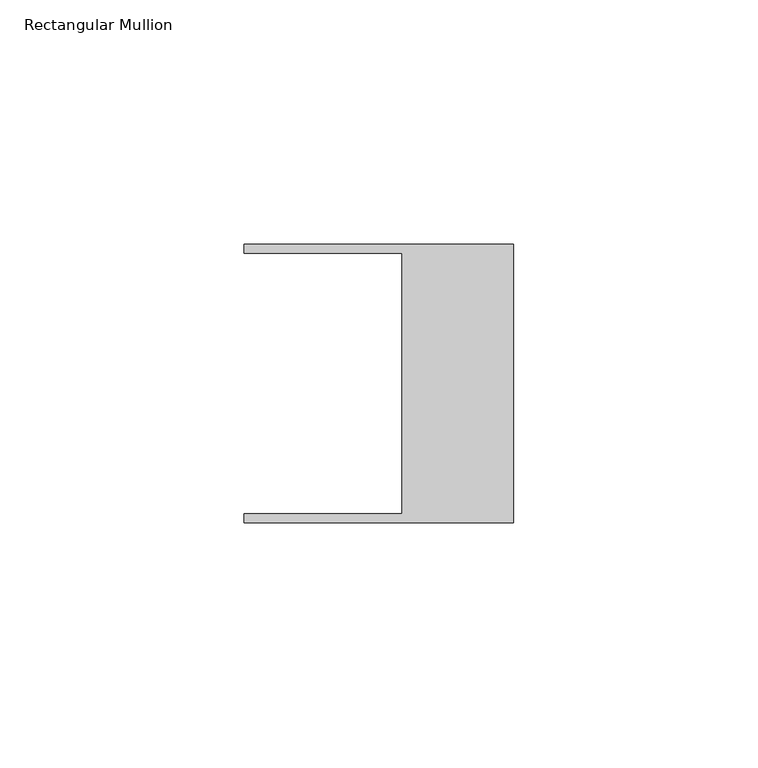
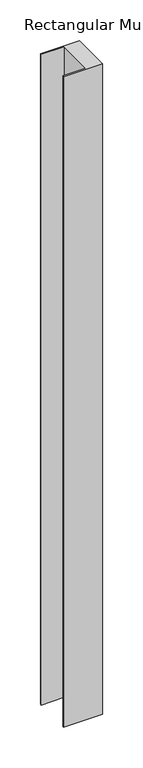
"""IFC4 building model written with IfcOpenShell, lengths in millimetres: member geometry, Rectangular Mullion."""

from ifc_helpers import new_model, si_unit, frame, origin, place, context, project, spatial, polyline, outline, extrude, source, transform, mapped, element, save


def rectangular_mullion_f60abe0a(model_context):
    return source(origin(), model_context, "Body", "SweptSolid", [
        extrude(outline(polyline([(-55.118, 26.67), (-55.118, 28.448), (0.0, 28.448), (0.0, -28.448), (-55.118, -28.448), (-55.118, -26.67), (-22.86, -26.67), (-22.86, 26.67), (-55.118, 26.67)])), frame((0.0, 0.0, -976.0458), z_axis=(0.0, 0.0, 1.0), x_axis=(1.0, 0.0, 0.0)), (0.0, 0.0, 1.0), 976.0458),
    ])


if __name__ == "__main__":
    model = new_model("IFC4")
    model_context = context("Model", 3, world=origin())
    ifc_project = project(units=[si_unit("LENGTHUNIT", "METRE", prefix="MILLI")], contexts=[model_context])
    site = spatial("IfcSite", under=ifc_project)
    building = spatial("IfcBuilding", under=site)
    placement = place(None, origin())
    rectangular_mullion_shape = rectangular_mullion_f60abe0a(model_context)
    element("IfcMember", 1, ObjectType="Rectangular Mullion", at=placement, inside=building, context=model_context, shape_type="MappedRepresentation", body=[
        mapped(rectangular_mullion_shape, transform((0.0, 0.0, 0.0), x_axis=(1.0, 0.0, 0.0), y_axis=(0.0, 1.0, 0.0), z_axis=(0.0, 0.0, 1.0))),
    ])
    save(model, "model.ifc")
